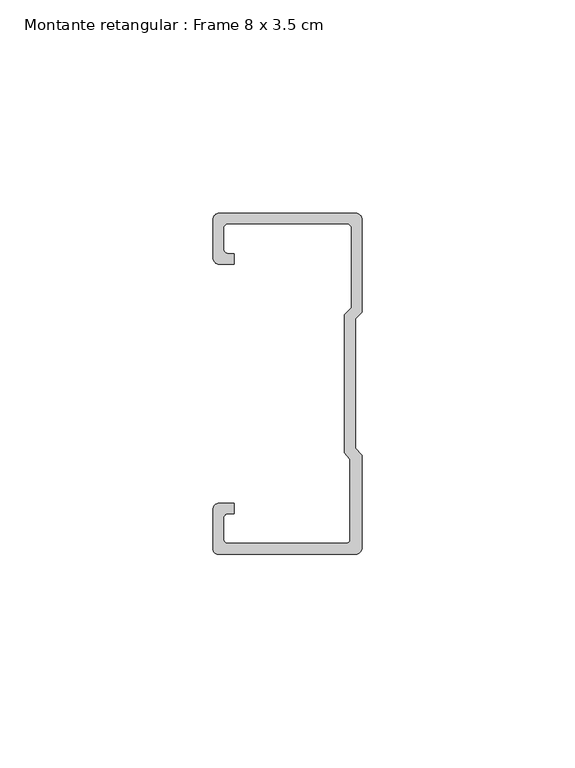
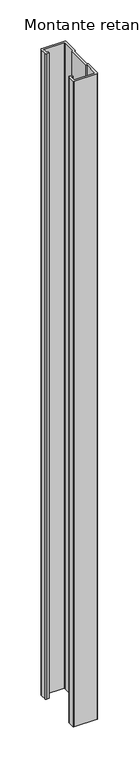
"""IFC4 building model written with IfcOpenShell, lengths in millimetres: member geometry, Montante retangular : Frame 8 x 3.5 cm."""

from ifc_helpers import new_model, si_unit, point, frame, frame_2d, origin, place, context, project, spatial, polyline, circle_curve, trimmed, segment, composite_curve, outline, extrude, source, transform, mapped, element, save


def montante_retangular_frame_8_x_3_5_cm_d561912f(model_context):
    return source(origin(), model_context, "Body", "SweptSolid", [
        extrude(outline(composite_curve([segment(polyline([(-35.0, 29.5276505), (-35.0, 38.5)]), True, "CONTINUOUS"), segment(trimmed(circle_curve(frame_2d((-33.5, 38.5)), 1.5), [point((-35.0, 38.5))], [point((-33.5, 40.0))], False, "CARTESIAN"), True, "CONTINUOUS"), segment(polyline([(-33.5, 40.0), (-1.5, 40.0)]), True, "CONTINUOUS"), segment(trimmed(circle_curve(frame_2d((-1.5, 38.5)), 1.5), [point((-1.5, 40.0))], [point((0.0, 38.5))], False, "CARTESIAN"), True, "CONTINUOUS"), segment(polyline([(0.0, 38.5), (0.0, 16.7622662), (-1.5877131, 15.174553), (-1.5877131, -15.174553), (0.0, -16.7622662), (0.0, -38.5)]), True, "CONTINUOUS"), segment(trimmed(circle_curve(frame_2d((-1.5, -38.5)), 1.5), [point((0.0, -38.5))], [point((-1.5, -40.0))], False, "CARTESIAN"), True, "CONTINUOUS"), segment(polyline([(-1.5, -40.0), (-33.8171833, -40.0)]), True, "CONTINUOUS"), segment(trimmed(circle_curve(frame_2d((-33.8171833, -38.8171833)), 1.1828167), [point((-33.8171833, -40.0))], [point((-35.0, -38.8171833))], False, "CARTESIAN"), True, "CONTINUOUS"), segment(polyline([(-35.0, -38.8171833), (-35.0, -29.5276505)]), True, "CONTINUOUS"), segment(trimmed(circle_curve(frame_2d((-33.5, -29.5276505)), 1.5), [point((-35.0, -29.5276505))], [point((-33.5, -28.0276505))], False, "CARTESIAN"), True, "CONTINUOUS"), segment(polyline([(-33.5, -28.0276505), (-30.0162256, -28.0276505), (-30.0162256, -30.5276505), (-31.5, -30.5276505)]), True, "CONTINUOUS"), segment(trimmed(circle_curve(frame_2d((-31.5, -31.5276505)), 1.0), [point((-31.5, -30.5276505))], [point((-32.5, -31.5276505))], True, "CARTESIAN"), True, "CONTINUOUS"), segment(polyline([(-32.5, -31.5276505), (-32.5, -36.5)]), True, "CONTINUOUS"), segment(trimmed(circle_curve(frame_2d((-31.5, -36.5)), 1.0), [point((-32.5, -36.5))], [point((-31.5, -37.5))], True, "CARTESIAN"), True, "CONTINUOUS"), segment(polyline([(-31.5, -37.5), (-3.807214, -37.5)]), True, "CONTINUOUS"), segment(trimmed(circle_curve(frame_2d((-3.807214, -36.5)), 1.0), [point((-3.807214, -37.5))], [point((-2.807214, -36.5))], True, "CARTESIAN"), True, "CONTINUOUS"), segment(polyline([(-2.807214, -36.5), (-2.807214, -17.7671948), (-4.0877131, -16.1794816), (-4.0877131, 16.2100869), (-2.5, 17.7978001), (-2.5, 36.5)]), True, "CONTINUOUS"), segment(trimmed(circle_curve(frame_2d((-3.5, 36.5)), 1.0), [point((-2.5, 36.5))], [point((-3.5, 37.5))], True, "CARTESIAN"), True, "CONTINUOUS"), segment(polyline([(-3.5, 37.5), (-31.5, 37.5)]), True, "CONTINUOUS"), segment(trimmed(circle_curve(frame_2d((-31.5, 36.5)), 1.0), [point((-31.5, 37.5))], [point((-32.5, 36.5))], True, "CARTESIAN"), True, "CONTINUOUS"), segment(polyline([(-32.5, 36.5), (-32.5, 31.5276505)]), True, "CONTINUOUS"), segment(trimmed(circle_curve(frame_2d((-31.5, 31.5276505)), 1.0), [point((-32.5, 31.5276505))], [point((-31.5, 30.5276505))], True, "CARTESIAN"), True, "CONTINUOUS"), segment(polyline([(-31.5, 30.5276505), (-30.0162256, 30.5276505), (-30.0162256, 28.0276505), (-33.5, 28.0276505)]), True, "CONTINUOUS"), segment(trimmed(circle_curve(frame_2d((-33.5, 29.5276505)), 1.5), [point((-33.5, 28.0276505))], [point((-35.0, 29.5276505))], False, "CARTESIAN"), True, "CONTINUOUS")], self_intersect=False)), frame((0.0, 0.0, -965.0), z_axis=(0.0, 0.0, 1.0), x_axis=(1.0, 0.0, 0.0)), (0.0, 0.0, 1.0), 965.0),
    ])


if __name__ == "__main__":
    model = new_model("IFC4")
    model_context = context("Model", 3, world=origin())
    ifc_project = project(units=[si_unit("LENGTHUNIT", "METRE", prefix="MILLI")], contexts=[model_context])
    site = spatial("IfcSite", under=ifc_project)
    building = spatial("IfcBuilding", under=site)
    placement = place(None, origin())
    montante_retangular_frame_8_x_3_5_cm_shape = montante_retangular_frame_8_x_3_5_cm_d561912f(model_context)
    element("IfcMember", 1, ObjectType="Montante retangular : Frame 8 x 3.5 cm", at=placement, inside=building, context=model_context, shape_type="MappedRepresentation", body=[
        mapped(montante_retangular_frame_8_x_3_5_cm_shape, transform((0.0, 0.0, 0.0), x_axis=(1.0, 0.0, 0.0), y_axis=(0.0, 1.0, 0.0), z_axis=(0.0, 0.0, 1.0))),
    ])
    save(model, "model.ifc")
